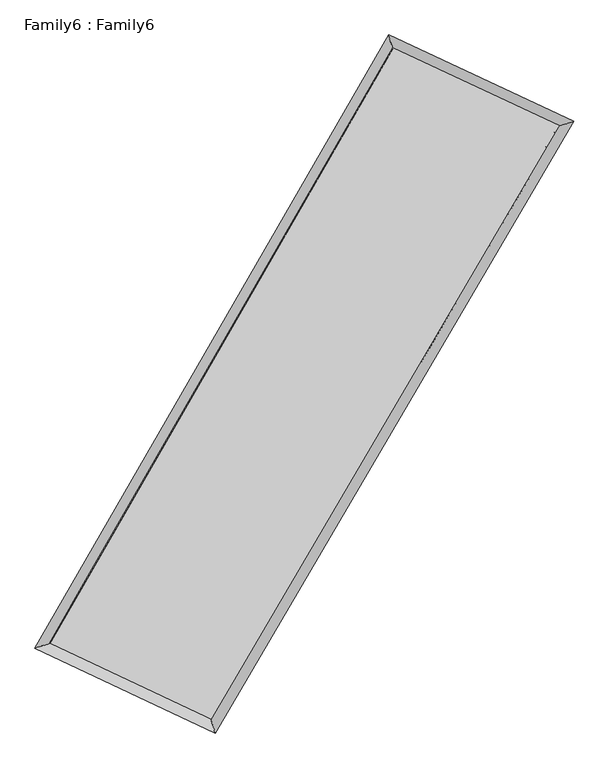
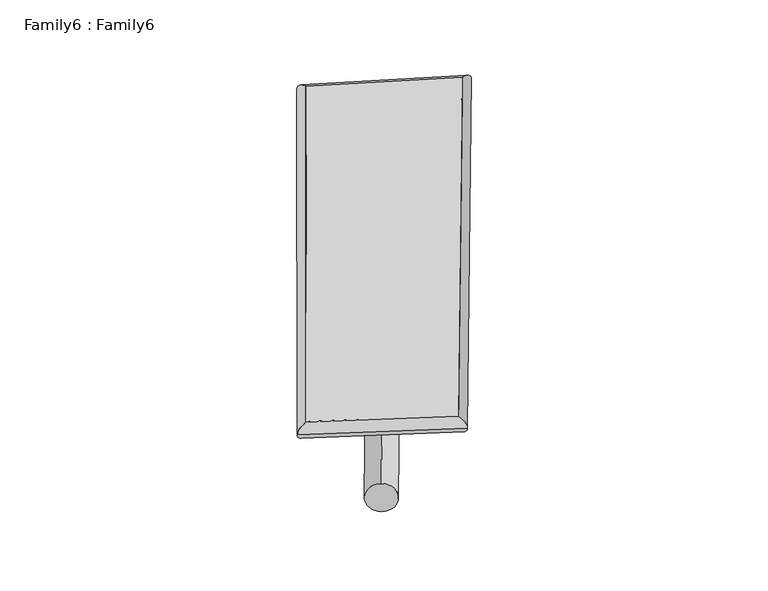
"""IFC4 building model written with IfcOpenShell, lengths in millimetres: plate geometry, Family6 : Family6."""

import ifcopenshell
import ifcopenshell.guid

model = None  # the IFC model being written
_history = None  # IfcOwnerHistory: only IFC2X3 demands one
_inside = {}  # id of a spatial element -> (the spatial element, [elements in it])
_under = {}  # id of a project, library or spatial element -> (it, [spatial elements below it])
_declared = {}  # id of a project -> (the project, [libraries it declares])
_typed = {}  # id of a type object -> (the type object, [elements of that type])
_made_of = {}  # id of a material, layer set ... -> (it, [elements and type objects made of it])


def new_model(schema):
    """Start an empty IFC model of exactly this schema.

    Asked for "IFC4X3", IfcOpenShell would pick the latest addendum, in which some entities
    have other attributes; the version numbers below select the first issue.
    IFC2X3 requires an IfcOwnerHistory on every rooted entity: one is made here for all.
    """
    global model, _history
    if schema == "IFC4X3":
        model = ifcopenshell.file(schema_version=(4, 3, 0, 0))
    else:
        model = ifcopenshell.file(schema=schema)
    _inside.clear()
    _under.clear()
    _declared.clear()
    _typed.clear()
    _made_of.clear()
    _history = None
    if model.schema == "IFC2X3":
        org = make("IfcOrganization", Name="unknown")
        user = make(
            "IfcPersonAndOrganization",
            ThePerson=make("IfcPerson", FamilyName="unknown"),
            TheOrganization=org,
        )
        app = make(
            "IfcApplication",
            ApplicationDeveloper=org,
            Version="unknown",
            ApplicationFullName="unknown",
            ApplicationIdentifier="unknown",
        )
        _history = make(
            "IfcOwnerHistory",
            OwningUser=user,
            OwningApplication=app,
            ChangeAction="ADDED",
            CreationDate=0,
        )
    return model


def make(cls, **values):
    """One entity of the class cls with the attributes given. An attribute that is None is left unset."""
    return model.create_entity(
        cls, **{name: value for name, value in values.items() if value is not None}
    )


def rooted(cls, **values):
    """An entity with a GlobalId (a new one), such as an element, a storey or a relation."""
    return make(cls, GlobalId=ifcopenshell.guid.new(), OwnerHistory=_history, **values)


def si_unit(unit_type, name, prefix=None):
    """IfcSIUnit, for example si_unit("LENGTHUNIT", "METRE", prefix="MILLI")."""
    return make("IfcSIUnit", UnitType=unit_type, Prefix=prefix, Name=name)


def assignment(units):
    """IfcUnitAssignment: the units of a project."""
    return None if units is None else make("IfcUnitAssignment", Units=units)


def point(xyz):
    """IfcCartesianPoint."""
    return None if xyz is None else make("IfcCartesianPoint", Coordinates=xyz)


def direction(xyz):
    """IfcDirection."""
    return None if xyz is None else make("IfcDirection", DirectionRatios=xyz)


def frame(location, z_axis=None, x_axis=None):
    """IfcAxis2Placement3D, a coordinate frame: its origin and axes. An axis left out is left unset."""
    return make(
        "IfcAxis2Placement3D",
        Location=point(location),
        Axis=direction(z_axis),
        RefDirection=direction(x_axis),
    )


def frame_2d(location, x_axis=None):
    """IfcAxis2Placement2D, a coordinate frame in the plane: its origin and x axis."""
    return make(
        "IfcAxis2Placement2D", Location=point(location), RefDirection=direction(x_axis)
    )


def origin():
    """The frame at (0, 0, 0) with its axes left unset."""
    return frame((0.0, 0.0, 0.0))


def origin_2d():
    """The frame at (0, 0) in the plane with its x axis left unset."""
    return frame_2d((0.0, 0.0))


def place(relative_to, where):
    """IfcLocalPlacement: puts the frame where relative to a parent placement (None: the world)."""
    return make(
        "IfcLocalPlacement", PlacementRelTo=relative_to, RelativePlacement=where
    )


def context(
    kind, dimensions, precision=None, world=None, true_north=None, identifier=None
):
    """IfcGeometricRepresentationContext, for example the 3D "Model" context."""
    return make(
        "IfcGeometricRepresentationContext",
        ContextIdentifier=identifier,
        ContextType=kind,
        CoordinateSpaceDimension=dimensions,
        Precision=precision,
        WorldCoordinateSystem=world,
        TrueNorth=true_north,
    )


def project(units=None, contexts=None):
    """IfcProject with its units and contexts."""
    return rooted(
        "IfcProject",
        Name="project",
        RepresentationContexts=contexts,
        UnitsInContext=assignment(units),
    )


def spatial(cls, under=None, at=None, **own):
    """A site, building, storey or space (cls), placed at a placement, below another one or the project."""
    s = rooted(cls, ObjectPlacement=at, **own)
    if under is not None:
        _under.setdefault(under.id(), (under, []))[1].append(s)
    return s


def circle_curve(where, radius):
    """IfcCircle in the frame where."""
    return make("IfcCircle", Position=where, Radius=radius)


def ellipse_curve(where, semi_axis1, semi_axis2):
    """IfcEllipse in the frame where."""
    return make(
        "IfcEllipse", Position=where, SemiAxis1=semi_axis1, SemiAxis2=semi_axis2
    )


def trimmed(basis, trim1, trim2, sense, master):
    """IfcTrimmedCurve: the piece of a basis curve between two trims."""
    return make(
        "IfcTrimmedCurve",
        BasisCurve=basis,
        Trim1=trim1,
        Trim2=trim2,
        SenseAgreement=sense,
        MasterRepresentation=master,
    )


def segment(curve, same_sense, transition):
    """IfcCompositeCurveSegment."""
    return make(
        "IfcCompositeCurveSegment",
        Transition=transition,
        SameSense=same_sense,
        ParentCurve=curve,
    )


def composite_curve(segments, self_intersect=None):
    """IfcCompositeCurve: segments joined end to end."""
    return make("IfcCompositeCurve", Segments=segments, SelfIntersect=self_intersect)


def outline(outer, holes=None, kind="AREA"):
    """IfcArbitraryClosedProfileDef: a profile drawn as a closed curve; with holes, ...WithVoids."""
    if holes is None:
        return make("IfcArbitraryClosedProfileDef", ProfileType=kind, OuterCurve=outer)
    return make(
        "IfcArbitraryProfileDefWithVoids",
        ProfileType=kind,
        OuterCurve=outer,
        InnerCurves=holes,
    )


def extrude(swept, where, along, depth):
    """IfcExtrudedAreaSolid: the profile swept, set in the frame where, extruded along a direction by depth."""
    return make(
        "IfcExtrudedAreaSolid",
        SweptArea=swept,
        Position=where,
        ExtrudedDirection=direction(along),
        Depth=depth,
    )


def shape(context_of_items, identifier, shape_type, items):
    """IfcShapeRepresentation: the items that make up one representation, for example the "Body"."""
    return make(
        "IfcShapeRepresentation",
        ContextOfItems=context_of_items,
        RepresentationIdentifier=identifier,
        RepresentationType=shape_type,
        Items=items,
    )


def source(mapping_origin, context_of_items, identifier, shape_type, items):
    """IfcRepresentationMap: a shape defined once, which mapped items show again and again."""
    return make(
        "IfcRepresentationMap",
        MappingOrigin=mapping_origin,
        MappedRepresentation=shape(context_of_items, identifier, shape_type, items),
    )


def transform(
    local_origin,
    x_axis=None,
    y_axis=None,
    z_axis=None,
    scale=None,
    scale2=None,
    scale3=None,
    uniform=True,
):
    """IfcCartesianTransformationOperator3D, or its non-uniform kind. x_axis, y_axis, z_axis: its Axis1, 2, 3."""
    if uniform:
        return make(
            "IfcCartesianTransformationOperator3D",
            Axis1=direction(x_axis),
            Axis2=direction(y_axis),
            LocalOrigin=point(local_origin),
            Scale=scale,
            Axis3=direction(z_axis),
        )
    return make(
        "IfcCartesianTransformationOperator3DnonUniform",
        Axis1=direction(x_axis),
        Axis2=direction(y_axis),
        LocalOrigin=point(local_origin),
        Scale=scale,
        Axis3=direction(z_axis),
        Scale2=scale2,
        Scale3=scale3,
    )


def mapped(mapping_source, mapping_target):
    """IfcMappedItem: shows the shape of a source again, moved by a transform."""
    return make(
        "IfcMappedItem", MappingSource=mapping_source, MappingTarget=mapping_target
    )


def made_of(thing, what):
    """Note that an element or type object is made of a material, layer set ...; save() writes the relation."""
    if what is not None:
        _made_of.setdefault(what.id(), (what, []))[1].append(thing)
    return thing


def element(
    cls,
    number,
    at=None,
    inside=None,
    cuts=None,
    type_object=None,
    material=None,
    context=None,
    identifier="Body",
    shape_type=None,
    held_by="IfcProductDefinitionShape",
    body=None,
    shapes=None,
    **own,
):
    """One element of the class cls, such as IfcWall. Its Tag is "e" and its number.

    at: its placement. inside: the storey or other place that contains it. cuts: it is an
    opening in that element (IfcRelVoidsElement). A single representation is given by context,
    identifier, shape_type and body (its items); several are given by shapes. held_by: the class
    of the entity that holds the representations. save() writes the other relations.
    """
    e = rooted(cls, Tag="e%d" % number, ObjectPlacement=at, **own)
    if body is not None:
        shapes = [shape(context, identifier, shape_type, body)]
    if shapes is not None:
        e.Representation = make(held_by, Representations=shapes)
    if inside is not None:
        _inside.setdefault(inside.id(), (inside, []))[1].append(e)
    if cuts is not None:
        rooted(
            "IfcRelVoidsElement", RelatingBuildingElement=cuts, RelatedOpeningElement=e
        )
    if type_object is not None:
        _typed.setdefault(type_object.id(), (type_object, []))[1].append(e)
    return made_of(e, material)


def aggregate(whole, parts):
    """IfcRelAggregates: a whole, such as a stair, and the parts it consists of."""
    return rooted("IfcRelAggregates", RelatingObject=whole, RelatedObjects=parts)


def save(model, path):
    """Write the relations noted so far, then the file.

    IfcRelAggregates (storeys below a building ...), IfcRelContainedInSpatialStructure (elements
    in a storey), IfcRelDefinesByType, IfcRelAssociatesMaterial and IfcRelDeclares: one each for
    every whole, place, type object, material and project.
    """
    for whole, parts in _under.values():
        aggregate(whole, parts)
    for where, things in _inside.values():
        rooted(
            "IfcRelContainedInSpatialStructure",
            RelatedElements=things,
            RelatingStructure=where,
        )
    for kind, things in _typed.values():
        rooted("IfcRelDefinesByType", RelatedObjects=things, RelatingType=kind)
    for what, things in _made_of.values():
        rooted("IfcRelAssociatesMaterial", RelatedObjects=things, RelatingMaterial=what)
    for by, libraries in _declared.values():
        rooted("IfcRelDeclares", RelatingContext=by, RelatedDefinitions=libraries)
    model.write(path)


def plane_surface(at):
    """IfcPlane: the flat surface through the origin of the frame at, square to its z axis."""
    return make("IfcPlane", Position=at)


def cylinder_surface(at, radius):
    """IfcCylindricalSurface: all points at the distance radius from the z axis of the frame at."""
    return make("IfcCylindricalSurface", Position=at, Radius=radius)


def spline_surface(u_degree, v_degree, points, u_multiplicities, v_multiplicities, u_knots, v_knots, weights=None):
    """IfcBSplineSurfaceWithKnots; with weights, IfcRationalBSplineSurfaceWithKnots. points: one row for each step in u."""
    own = dict(
        UDegree=u_degree,
        VDegree=v_degree,
        ControlPointsList=[[point(p) for p in row] for row in points],
        SurfaceForm="UNSPECIFIED",
        UClosed=False,
        VClosed=False,
        SelfIntersect=False,
        UMultiplicities=u_multiplicities,
        VMultiplicities=v_multiplicities,
        UKnots=u_knots,
        VKnots=v_knots,
        KnotSpec="UNSPECIFIED",
    )
    if weights is None:
        return make("IfcBSplineSurfaceWithKnots", **own)
    return make("IfcRationalBSplineSurfaceWithKnots", WeightsData=weights, **own)


def advanced_brep(points, edges, surfaces, faces):
    """IfcAdvancedBrep: a solid bounded by faces that lie on surfaces and meet in shared edges.

    An edge is (start, end): straight between two places in points (the first is 0);
    or (start, end, curve); or (start, end, curve, False) where it runs against its curve.
    A face is (place in surfaces, loops), or (place, loops, False) where it looks against
    its surface's normal. A loop lists edges by number (the first is 1), with a minus sign
    where the edge is run from its end to its start. The first loop is the outer one.
    """
    corners = [point(p) for p in points]
    vertices = [make("IfcVertexPoint", VertexGeometry=c) for c in corners]
    made = []
    for start, end, *more in edges:
        made.append(
            make(
                "IfcEdgeCurve",
                EdgeStart=vertices[start],
                EdgeEnd=vertices[end],
                EdgeGeometry=more[0] if more else make("IfcPolyline", Points=[corners[start], corners[end]]),
                SameSense=more[1] if len(more) > 1 else True,
            )
        )
    hull = []
    for where, loops, *sense in faces:
        bounds = []
        for j, loop in enumerate(loops):
            ring = [make("IfcOrientedEdge", EdgeElement=made[abs(k) - 1], Orientation=k > 0) for k in loop]
            bounds.append(
                make(
                    "IfcFaceOuterBound" if j == 0 else "IfcFaceBound",
                    Bound=make("IfcEdgeLoop", EdgeList=ring),
                    Orientation=True,
                )
            )
        hull.append(make("IfcAdvancedFace", Bounds=bounds, FaceSurface=surfaces[where], SameSense=sense[0] if sense else True))
    return make("IfcAdvancedBrep", Outer=make("IfcClosedShell", CfsFaces=hull))


def family6_family6_df175a7a(model_context):
    return source(origin(), model_context, "Body", "SolidModel", [
        extrude(outline(composite_curve([segment(trimmed(circle_curve(origin_2d(), 76.2), [point((-75.4341514, -10.7763074))], [point((75.4341514, 10.7763074))], False, "CARTESIAN"), True, "CONTINUOUS"), segment(trimmed(circle_curve(origin_2d(), 76.2), [point((75.4341514, 10.7763074))], [point((-75.4341514, -10.7763074))], False, "CARTESIAN"), True, "CONTINUOUS")], self_intersect=False)), frame((9144.0, 9144.0, 0.0), z_axis=(0.6788007749404903, 0.6839528752663367, 0.2672788288568717), x_axis=(-0.675688388041694, 0.7242770657387556, -0.13736059955633484)), (0.0, 0.0, 1.0), 5752.8192631),
        extrude(outline(composite_curve([segment(trimmed(circle_curve(origin_2d(), 76.2), [point((-53.8815367, 53.8815367))], [point((53.8815367, -53.8815367))], False, "CARTESIAN"), True, "CONTINUOUS"), segment(trimmed(circle_curve(origin_2d(), 76.2), [point((53.8815367, -53.8815367))], [point((-53.8815367, 53.8815367))], False, "CARTESIAN"), True, "CONTINUOUS")], self_intersect=False)), frame((9144.0, 9144.0, 0.0), z_axis=(-0.6741674391292662, -0.6881670636804185, 0.2681871668878999), x_axis=(0.6389692689055767, -0.3613199191215051, 0.6790921803704575)), (0.0, 0.0, 1.0), 5733.8571863),
        extrude(outline(composite_curve([segment(trimmed(circle_curve(origin_2d(), 76.2), [point((-53.8815367, -53.8815368))], [point((53.8815367, 53.8815368))], False, "CARTESIAN"), True, "CONTINUOUS"), segment(trimmed(circle_curve(origin_2d(), 76.2), [point((53.8815367, 53.8815368))], [point((-53.8815367, -53.8815368))], False, "CARTESIAN"), True, "CONTINUOUS")], self_intersect=False)), frame((9144.0, 9144.0, 0.0), z_axis=(0.24725294989187138, 0.9294598120575303, 0.2738072981856918), x_axis=(-0.8449479130697826, 0.34513617460782126, -0.4085878671425509)), (0.0, 0.0, 1.0), 5508.6714241),
        extrude(outline(composite_curve([segment(trimmed(circle_curve(origin_2d(), 76.2), [point((-75.4341514, 10.7763073))], [point((75.4341514, -10.7763073))], False, "CARTESIAN"), True, "CONTINUOUS"), segment(trimmed(circle_curve(origin_2d(), 76.2), [point((75.4341514, -10.7763073))], [point((-75.4341514, 10.7763073))], False, "CARTESIAN"), True, "CONTINUOUS")], self_intersect=False)), frame((9144.0, 9144.0, 0.0), z_axis=(-0.2540611476515587, -0.9276132597057776, 0.27383676464637585), x_axis=(0.884475942459346, -0.1082670335325136, 0.4538508088135586)), (0.0, 0.0, 1.0), 5506.3896167),
        advanced_brep(
        [(5063.7293903, 5130.8723078, 1535.7562006), (5063.7059276, 5130.8345563, 1540.5759917), (5493.1109784, 5265.4243653, 1539.7376277), (10568.2563817, 14066.9456963, 1511.1635862), (10443.8141375, 14461.2317168, 1505.4652922), (5493.1344411, 5265.4621167, 1534.9178366), (12832.8256652, 13011.2989633, 1537.2489246), (13265.2106826, 13146.0155885, 1537.964666), (7684.0281325, 4233.3999537, 1508.3645955), (7806.0525366, 3839.0000031, 1507.3392395)],
        [
            (0, 1, ellipse_curve(frame((5278.4201844, 5198.1483365, 1537.7469141), z_axis=(-0.2990700496723737, 0.9542121818761264, 0.006018085091290936), x_axis=(-0.9541707968939446, -0.29911612021231576, 0.009361462701215831)), 225.0377232, 152.4)),
            (1, 2, ellipse_curve(frame((5278.4201844, 5198.1483365, 1537.7469141), z_axis=(-0.2990700496723737, 0.9542121818761264, 0.006018085091290936), x_axis=(-0.9541707968939446, -0.29911612021231576, 0.009361462701215831)), 225.0377232, 152.4)),
            (2, 3),
            (3, 4, ellipse_curve(frame((10506.0352596, 14264.0887065, 1508.3144392), z_axis=(-0.9535964390333297, -0.30104329333071206, -0.005173683750683532), x_axis=(0.30098447255710237, -0.9535786293443104, 0.009805352484702006)), 206.7498972, 152.4)),
            (4, 0),
            (2, 5, ellipse_curve(frame((5278.4201844, 5198.1483365, 1537.7469141), z_axis=(-0.2990700496723737, 0.9542121818761264, 0.006018085091290936), x_axis=(-0.9541707968939446, -0.29911612021231576, 0.009361462701215831)), 225.0377232, 152.4)),
            (5, 0, ellipse_curve(frame((5278.4201844, 5198.1483365, 1537.7469141), z_axis=(-0.2990700496723737, 0.9542121818761264, 0.006018085091290936), x_axis=(-0.9541707968939446, -0.29911612021231576, 0.009361462701215831)), 225.0377232, 152.4)),
            (4, 3, ellipse_curve(frame((10506.0352596, 14264.0887065, 1508.3144392), z_axis=(-0.9535964390333297, -0.30104329333071206, -0.005173683750683532), x_axis=(0.30098447255710237, -0.9535786293443104, 0.009805352484702006)), 206.7498972, 152.4)),
            (3, 6),
            (6, 7, ellipse_curve(frame((13049.0181739, 13078.6572759, 1537.6067953), z_axis=(-0.29744954551642144, 0.9547208358606765, -0.005647428225819284), x_axis=(-0.9546825203886982, -0.2974907029644522, -0.008975907419250776)), 226.450566, 152.4)),
            (7, 4),
            (7, 6, ellipse_curve(frame((13049.0181739, 13078.6572759, 1537.6067953), z_axis=(-0.29744954551642144, 0.9547208358606765, -0.005647428225819284), x_axis=(-0.9546825203886982, -0.2974907029644522, -0.008975907419250776)), 226.450566, 152.4)),
            (6, 8),
            (8, 9, ellipse_curve(frame((7745.0403346, 4036.1999784, 1507.8519175), z_axis=(0.9553028006097638, 0.29557787028772337, -0.005502884999335994), x_axis=(-0.2955130889324356, 0.955283904756333, 0.010231108596022455)), 206.4284789, 152.4)),
            (9, 7),
            (9, 8, ellipse_curve(frame((7745.0403346, 4036.1999784, 1507.8519175), z_axis=(0.9553028006097638, 0.29557787028772337, -0.005502884999335994), x_axis=(-0.2955130889324356, 0.955283904756333, 0.010231108596022455)), 206.4284789, 152.4)),
            (8, 5),
            (1, 9),
        ],
        [
            cylinder_surface(frame((5278.4201844, 5198.1483365, 1537.7469141), z_axis=(-0.4995243748865464, -0.8662952667533773, 0.0028124179810873453), x_axis=(-0.8662088140688835, 0.49942220096757034, -0.016116935505436587)), 152.4),
            cylinder_surface(frame((10506.0352596, 14264.0887065, 1508.3144392), z_axis=(-0.9063103971558721, 0.42248370000350544, -0.010439695326664274), x_axis=(0.4225754770437731, 0.9062818026904338, -0.009124708949069704)), 152.4),
            cylinder_surface(frame((13049.0181739, 13078.6572759, 1537.6067953), z_axis=(0.5059465425446517, 0.8625601660383898, 0.0028383183294202518), x_axis=(0.8625644912951443, -0.5059465425446515, -0.0007710018562598585)), 152.4),
            cylinder_surface(frame((7745.0403346, 4036.1999784, 1507.8519175), z_axis=(0.9045966883465519, -0.4261274832602531, -0.010963550644484813), x_axis=(-0.42607768580753813, -0.9046621225972001, 0.0066520368926726425)), 152.4),
        ],
        [
            (0, [[1, 2, 3, 4, 5]]),
            (0, [[6, 7, -5, 8, -3]]),
            (1, [[-4, 9, 10, 11]]),
            (1, [[-8, -11, 12, -9]]),
            (2, [[-10, 13, 14, 15]]),
            (2, [[-12, -15, 16, -13]]),
            (3, [[-14, 17, -6, -2, 18]]),
            (3, [[-16, -18, -1, -7, -17]]),
        ],
    ),
        extrude(outline(composite_curve([segment(trimmed(circle_curve(origin_2d(), 304.8), [point((0.0, 304.8))], [point((0.0, -304.8))], False, "CARTESIAN"), True, "CONTINUOUS"), segment(trimmed(circle_curve(origin_2d(), 304.8), [point((0.0, -304.8))], [point((0.0, 304.8))], False, "CARTESIAN"), True, "CONTINUOUS")], self_intersect=False)), frame((11802.1878186, 13686.6622614, -0.0093891), z_axis=(-0.5050473728488564, -0.8630916238588381, 1.783894017392978e-06), x_axis=(-0.8630916238605462, 0.5050473728488564, -4.835784646270184e-07)), (0.0, 0.0, 1.0), 10526.4890443),
        advanced_brep(
        [(5278.4201844, 5198.1483365, 1537.7469141), (7745.0403346, 4036.1999784, 1507.8519175), (7745.0336641, 4036.2008787, 1660.2519174), (5278.4135139, 5198.1492368, 1690.146914), (13049.0181739, 13078.6572759, 1537.6067953), (13049.0115034, 13078.6581762, 1690.0067951), (10506.0352596, 14264.0887065, 1508.3144392), (10506.0285891, 14264.0896068, 1660.7144391)],
        [
            (0, 1),
            (1, 2),
            (2, 3),
            (3, 0),
            (1, 4),
            (4, 5),
            (5, 2),
            (4, 6),
            (6, 7),
            (7, 5),
            (6, 0),
            (3, 7),
        ],
        [
            plane_surface(frame((6511.7302595, 4617.1741575, 1522.7994158), z_axis=(-0.42615322767913905, -0.9046509969936111, -1.3308551398257852e-05), x_axis=(0.9045966883465519, -0.4261274832602529, -0.010963550644484807))),
            plane_surface(frame((10397.0292542, 8557.4286272, 1522.7293564), z_axis=(0.8625635812489931, -0.5059486798509598, 4.074288850622397e-05), x_axis=(0.5059465425446515, 0.8625601660383896, 0.0028383183294202587))),
            plane_surface(frame((11777.5267167, 13671.3729912, 1522.9606172), z_axis=(0.4225066001868717, 0.9063598472052378, 1.3138845118092907e-05), x_axis=(-0.9063103971558719, 0.42248370000350566, -0.01043969532666427))),
            plane_surface(frame((7892.227722, 9731.1185215, 1523.0306767), z_axis=(-0.8662987495312131, 0.49952625045179333, -4.086843644075019e-05), x_axis=(-0.49952437488654644, -0.8662952667533771, 0.002812417981087345))),
            spline_surface(1, 1, [[(7745.0336641, 4036.2008787, 1660.2519174), (5278.4135139, 5198.1492368, 1690.146914)], [(13049.0115034, 13078.6581762, 1690.0067951), (10506.0285891, 14264.0896068, 1660.7144391)]], [2, 2], [2, 2], [0.0, 1.0], [0.0, 1.0]),
            spline_surface(1, 1, [[(10506.0352596, 14264.0887065, 1508.3144392), (5278.4201844, 5198.1483365, 1537.7469141)], [(13049.0181739, 13078.6572759, 1537.6067953), (7745.0403346, 4036.1999784, 1507.8519175)]], [2, 2], [2, 2], [0.0, 1.0], [0.0, 1.0]),
        ],
        [
            (0, [[1, 2, 3, 4]]),
            (1, [[5, 6, 7, -2]]),
            (2, [[8, 9, 10, -6]]),
            (3, [[11, -4, 12, -9]]),
            (4, [[-3, -7, -10, -12]]),
            (5, [[-11, -8, -5, -1]]),
        ],
    ),
    ])


if __name__ == "__main__":
    model = new_model("IFC4")
    model_context = context("Model", 3, world=origin())
    ifc_project = project(units=[si_unit("LENGTHUNIT", "METRE", prefix="MILLI")], contexts=[model_context])
    site = spatial("IfcSite", under=ifc_project)
    building = spatial("IfcBuilding", under=site)
    placement = place(None, origin())
    family6_family6_shape = family6_family6_df175a7a(model_context)
    element("IfcPlate", 1, ObjectType="Family6 : Family6", at=placement, inside=building, context=model_context, shape_type="MappedRepresentation", body=[
        mapped(family6_family6_shape, transform((0.0, 0.0, 0.0), x_axis=(1.0, 0.0, 0.0), y_axis=(0.0, 1.0, 0.0), z_axis=(0.0, 0.0, 1.0))),
    ])
    save(model, "model.ifc")
